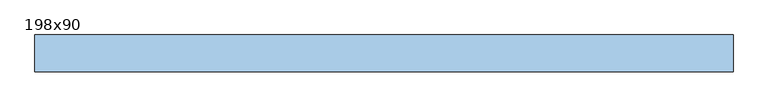
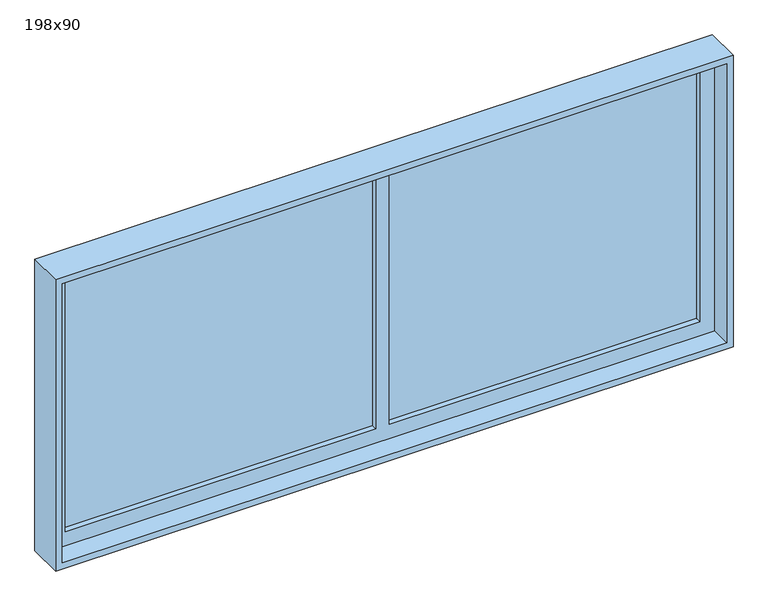
"""IFC4 building model written with IfcOpenShell, lengths in millimetres: window geometry, 198x90."""

import ifcopenshell
import ifcopenshell.guid

model = None  # the IFC model being written
_history = None  # IfcOwnerHistory: only IFC2X3 demands one
_inside = {}  # id of a spatial element -> (the spatial element, [elements in it])
_under = {}  # id of a project, library or spatial element -> (it, [spatial elements below it])
_declared = {}  # id of a project -> (the project, [libraries it declares])
_typed = {}  # id of a type object -> (the type object, [elements of that type])
_made_of = {}  # id of a material, layer set ... -> (it, [elements and type objects made of it])


def new_model(schema):
    """Start an empty IFC model of exactly this schema.

    Asked for "IFC4X3", IfcOpenShell would pick the latest addendum, in which some entities
    have other attributes; the version numbers below select the first issue.
    IFC2X3 requires an IfcOwnerHistory on every rooted entity: one is made here for all.
    """
    global model, _history
    if schema == "IFC4X3":
        model = ifcopenshell.file(schema_version=(4, 3, 0, 0))
    else:
        model = ifcopenshell.file(schema=schema)
    _inside.clear()
    _under.clear()
    _declared.clear()
    _typed.clear()
    _made_of.clear()
    _history = None
    if model.schema == "IFC2X3":
        org = make("IfcOrganization", Name="unknown")
        user = make(
            "IfcPersonAndOrganization",
            ThePerson=make("IfcPerson", FamilyName="unknown"),
            TheOrganization=org,
        )
        app = make(
            "IfcApplication",
            ApplicationDeveloper=org,
            Version="unknown",
            ApplicationFullName="unknown",
            ApplicationIdentifier="unknown",
        )
        _history = make(
            "IfcOwnerHistory",
            OwningUser=user,
            OwningApplication=app,
            ChangeAction="ADDED",
            CreationDate=0,
        )
    return model


def make(cls, **values):
    """One entity of the class cls with the attributes given. An attribute that is None is left unset."""
    return model.create_entity(
        cls, **{name: value for name, value in values.items() if value is not None}
    )


def rooted(cls, **values):
    """An entity with a GlobalId (a new one), such as an element, a storey or a relation."""
    return make(cls, GlobalId=ifcopenshell.guid.new(), OwnerHistory=_history, **values)


def si_unit(unit_type, name, prefix=None):
    """IfcSIUnit, for example si_unit("LENGTHUNIT", "METRE", prefix="MILLI")."""
    return make("IfcSIUnit", UnitType=unit_type, Prefix=prefix, Name=name)


def assignment(units):
    """IfcUnitAssignment: the units of a project."""
    return None if units is None else make("IfcUnitAssignment", Units=units)


def point(xyz):
    """IfcCartesianPoint."""
    return None if xyz is None else make("IfcCartesianPoint", Coordinates=xyz)


def direction(xyz):
    """IfcDirection."""
    return None if xyz is None else make("IfcDirection", DirectionRatios=xyz)


def frame(location, z_axis=None, x_axis=None):
    """IfcAxis2Placement3D, a coordinate frame: its origin and axes. An axis left out is left unset."""
    return make(
        "IfcAxis2Placement3D",
        Location=point(location),
        Axis=direction(z_axis),
        RefDirection=direction(x_axis),
    )


def origin():
    """The frame at (0, 0, 0) with its axes left unset."""
    return frame((0.0, 0.0, 0.0))


def place(relative_to, where):
    """IfcLocalPlacement: puts the frame where relative to a parent placement (None: the world)."""
    return make(
        "IfcLocalPlacement", PlacementRelTo=relative_to, RelativePlacement=where
    )


def context(
    kind, dimensions, precision=None, world=None, true_north=None, identifier=None
):
    """IfcGeometricRepresentationContext, for example the 3D "Model" context."""
    return make(
        "IfcGeometricRepresentationContext",
        ContextIdentifier=identifier,
        ContextType=kind,
        CoordinateSpaceDimension=dimensions,
        Precision=precision,
        WorldCoordinateSystem=world,
        TrueNorth=true_north,
    )


def project(units=None, contexts=None):
    """IfcProject with its units and contexts."""
    return rooted(
        "IfcProject",
        Name="project",
        RepresentationContexts=contexts,
        UnitsInContext=assignment(units),
    )


def spatial(cls, under=None, at=None, **own):
    """A site, building, storey or space (cls), placed at a placement, below another one or the project."""
    s = rooted(cls, ObjectPlacement=at, **own)
    if under is not None:
        _under.setdefault(under.id(), (under, []))[1].append(s)
    return s


def polyline(points):
    """IfcPolyline through the points."""
    return make("IfcPolyline", Points=[point(p) for p in points])


def outline(outer, holes=None, kind="AREA"):
    """IfcArbitraryClosedProfileDef: a profile drawn as a closed curve; with holes, ...WithVoids."""
    if holes is None:
        return make("IfcArbitraryClosedProfileDef", ProfileType=kind, OuterCurve=outer)
    return make(
        "IfcArbitraryProfileDefWithVoids",
        ProfileType=kind,
        OuterCurve=outer,
        InnerCurves=holes,
    )


def extrude(swept, where, along, depth):
    """IfcExtrudedAreaSolid: the profile swept, set in the frame where, extruded along a direction by depth."""
    return make(
        "IfcExtrudedAreaSolid",
        SweptArea=swept,
        Position=where,
        ExtrudedDirection=direction(along),
        Depth=depth,
    )


def faces_of(points, faces, orient=None, outer=None):
    """IfcFace entities. A face is a list of loops; a loop is a list of indices into points, from 0.

    orient and outer hold one flag for each loop. By default every Orientation is true, the
    first loop of a face is its IfcFaceOuterBound and the others are IfcFaceBound.
    """
    made = []
    for i, loops in enumerate(faces):
        bounds = []
        for j, loop in enumerate(loops):
            is_outer = j == 0 if outer is None else outer[i][j]
            bounds.append(
                make(
                    "IfcFaceOuterBound" if is_outer else "IfcFaceBound",
                    Bound=make("IfcPolyLoop", Polygon=[points[k] for k in loop]),
                    Orientation=True if orient is None else orient[i][j],
                )
            )
        made.append(make("IfcFace", Bounds=bounds))
    return made


def faceted_brep(points, faces, orient=None, outer=None, voids=None):
    """IfcFacetedBrep: a solid bounded by flat faces; with voids (closed shells), ...WithVoids."""
    shared = [point(p) for p in points]
    hull = make("IfcClosedShell", CfsFaces=faces_of(shared, faces, orient, outer))
    if voids is None:
        return make("IfcFacetedBrep", Outer=hull)
    return make(
        "IfcFacetedBrepWithVoids",
        Outer=hull,
        Voids=[
            make(cls, CfsFaces=faces_of(shared, fs, o, b)) for cls, fs, o, b in voids
        ],
    )


def shape(context_of_items, identifier, shape_type, items):
    """IfcShapeRepresentation: the items that make up one representation, for example the "Body"."""
    return make(
        "IfcShapeRepresentation",
        ContextOfItems=context_of_items,
        RepresentationIdentifier=identifier,
        RepresentationType=shape_type,
        Items=items,
    )


def source(mapping_origin, context_of_items, identifier, shape_type, items):
    """IfcRepresentationMap: a shape defined once, which mapped items show again and again."""
    return make(
        "IfcRepresentationMap",
        MappingOrigin=mapping_origin,
        MappedRepresentation=shape(context_of_items, identifier, shape_type, items),
    )


def transform(
    local_origin,
    x_axis=None,
    y_axis=None,
    z_axis=None,
    scale=None,
    scale2=None,
    scale3=None,
    uniform=True,
):
    """IfcCartesianTransformationOperator3D, or its non-uniform kind. x_axis, y_axis, z_axis: its Axis1, 2, 3."""
    if uniform:
        return make(
            "IfcCartesianTransformationOperator3D",
            Axis1=direction(x_axis),
            Axis2=direction(y_axis),
            LocalOrigin=point(local_origin),
            Scale=scale,
            Axis3=direction(z_axis),
        )
    return make(
        "IfcCartesianTransformationOperator3DnonUniform",
        Axis1=direction(x_axis),
        Axis2=direction(y_axis),
        LocalOrigin=point(local_origin),
        Scale=scale,
        Axis3=direction(z_axis),
        Scale2=scale2,
        Scale3=scale3,
    )


def mapped(mapping_source, mapping_target):
    """IfcMappedItem: shows the shape of a source again, moved by a transform."""
    return make(
        "IfcMappedItem", MappingSource=mapping_source, MappingTarget=mapping_target
    )


def made_of(thing, what):
    """Note that an element or type object is made of a material, layer set ...; save() writes the relation."""
    if what is not None:
        _made_of.setdefault(what.id(), (what, []))[1].append(thing)
    return thing


def element(
    cls,
    number,
    at=None,
    inside=None,
    cuts=None,
    type_object=None,
    material=None,
    context=None,
    identifier="Body",
    shape_type=None,
    held_by="IfcProductDefinitionShape",
    body=None,
    shapes=None,
    **own,
):
    """One element of the class cls, such as IfcWall. Its Tag is "e" and its number.

    at: its placement. inside: the storey or other place that contains it. cuts: it is an
    opening in that element (IfcRelVoidsElement). A single representation is given by context,
    identifier, shape_type and body (its items); several are given by shapes. held_by: the class
    of the entity that holds the representations. save() writes the other relations.
    """
    e = rooted(cls, Tag="e%d" % number, ObjectPlacement=at, **own)
    if body is not None:
        shapes = [shape(context, identifier, shape_type, body)]
    if shapes is not None:
        e.Representation = make(held_by, Representations=shapes)
    if inside is not None:
        _inside.setdefault(inside.id(), (inside, []))[1].append(e)
    if cuts is not None:
        rooted(
            "IfcRelVoidsElement", RelatingBuildingElement=cuts, RelatedOpeningElement=e
        )
    if type_object is not None:
        _typed.setdefault(type_object.id(), (type_object, []))[1].append(e)
    return made_of(e, material)


def aggregate(whole, parts):
    """IfcRelAggregates: a whole, such as a stair, and the parts it consists of."""
    return rooted("IfcRelAggregates", RelatingObject=whole, RelatedObjects=parts)


def save(model, path):
    """Write the relations noted so far, then the file.

    IfcRelAggregates (storeys below a building ...), IfcRelContainedInSpatialStructure (elements
    in a storey), IfcRelDefinesByType, IfcRelAssociatesMaterial and IfcRelDeclares: one each for
    every whole, place, type object, material and project.
    """
    for whole, parts in _under.values():
        aggregate(whole, parts)
    for where, things in _inside.values():
        rooted(
            "IfcRelContainedInSpatialStructure",
            RelatedElements=things,
            RelatingStructure=where,
        )
    for kind, things in _typed.values():
        rooted("IfcRelDefinesByType", RelatedObjects=things, RelatingType=kind)
    for what, things in _made_of.values():
        rooted("IfcRelAssociatesMaterial", RelatedObjects=things, RelatingMaterial=what)
    for by, libraries in _declared.values():
        rooted("IfcRelDeclares", RelatingContext=by, RelatedDefinitions=libraries)
    model.write(path)


def window_198x90_08c97f19(model_context):
    return source(origin(), model_context, "Body", "SolidModel", [
        extrude(outline(polyline([(888.4, -111.425), (888.4, -124.125), (-964.6, -124.125), (-964.6, -111.425), (888.4, -111.425)])), frame((0.0, 0.0, 977.9), z_axis=(0.0, 0.0, 1.0), x_axis=(1.0, 0.0, 0.0)), (0.0, 0.0, 1.0), 777.45),
        faceted_brep([(951.9, -200.0, 1814.4), (-1028.1, -200.0, 1814.4), (-1028.1, -200.0, 914.4), (951.9, -200.0, 914.4), (932.85, -200.0, 1795.35), (932.85, -200.0, 933.45), (-1009.05, -200.0, 933.45), (-1009.05, -200.0, 1795.35), (-1028.1, -95.55, 914.4), (-1028.1, -95.55, 1814.4), (951.9, -95.55, 914.4), (951.9, -95.55, 1814.4), (932.85, -140.0, 1795.35), (932.85, -140.0, 933.45), (-1009.05, -140.0, 933.45), (-1009.05, -140.0, 1795.35), (-58.1, -140.0, 1795.35), (-18.1, -140.0, 1795.35), (-58.1, -140.0, 1755.35), (-58.1, -95.55, 1755.35), (-58.1, -95.55, 977.9), (-58.1, -140.0, 977.9), (888.4, -140.0, 977.9), (-18.1, -140.0, 977.9), (-18.1, -140.0, 1755.35), (888.4, -140.0, 1755.35), (-964.6, -140.0, 1755.35), (-964.6, -140.0, 977.9), (-964.6, -95.55, 977.9), (-964.6, -95.55, 1755.35), (888.4, -95.55, 977.9), (-18.1, -95.55, 977.9), (-18.1, -95.55, 1755.35), (888.4, -95.55, 1755.35)], [[[0, 1, 2, 3], [4, 5, 6, 7]], [[8, 2, 1, 9]], [[10, 3, 2, 8]], [[11, 0, 3, 10]], [[4, 12, 13, 5]], [[5, 13, 14, 6]], [[6, 14, 15, 7]], [[7, 15, 16, 17, 12, 4]], [[18, 19, 20, 21]], [[12, 17, 16, 15, 14, 13], [22, 23, 24, 25], [26, 18, 21, 27]], [[27, 28, 29, 26]], [[27, 21, 20, 28]], [[30, 31, 23, 22]], [[32, 24, 23, 31]], [[25, 33, 30, 22]], [[11, 10, 8, 9], [28, 20, 19, 29], [33, 32, 31, 30]], [[11, 9, 1, 0]], [[25, 24, 32, 33]], [[29, 19, 18, 26]]]),
    ])


if __name__ == "__main__":
    model = new_model("IFC4")
    model_context = context("Model", 3, world=origin())
    ifc_project = project(units=[si_unit("LENGTHUNIT", "METRE", prefix="MILLI")], contexts=[model_context])
    site = spatial("IfcSite", under=ifc_project)
    building = spatial("IfcBuilding", under=site)
    placement = place(None, origin())
    window_198x90_shape = window_198x90_08c97f19(model_context)
    element("IfcWindow", 1, ObjectType="198x90", at=placement, inside=building, context=model_context, shape_type="MappedRepresentation", body=[
        mapped(window_198x90_shape, transform((0.0, 0.0, 0.0), x_axis=(1.0, 0.0, 0.0), y_axis=(0.0, 1.0, 0.0), z_axis=(0.0, 0.0, 1.0))),
    ])
    save(model, "model.ifc")
